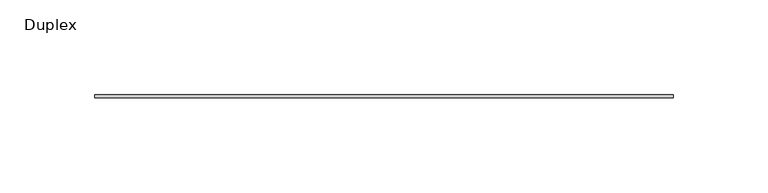
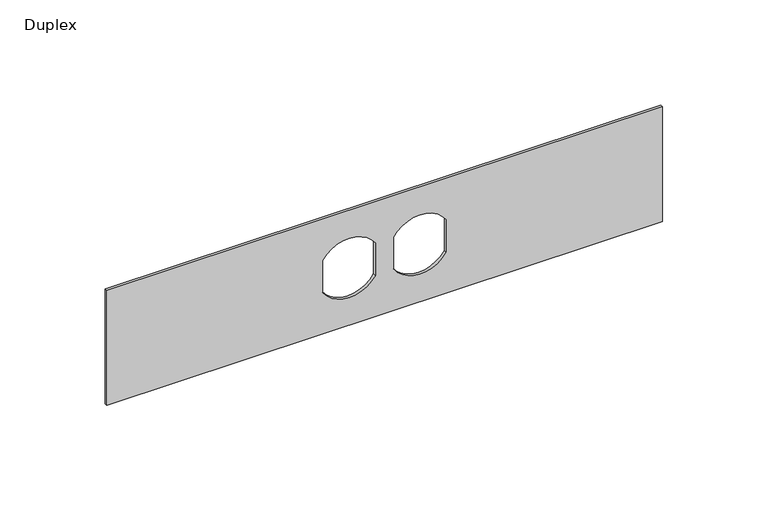
"""IFC4 building model written with IfcOpenShell, lengths in millimetres: furniture geometry, Duplex."""

from ifc_helpers import new_model, si_unit, point, frame, frame_2d, origin, place, context, project, spatial, polyline, circle_curve, trimmed, segment, composite_curve, outline, extrude, source, transform, mapped, element, save


def duplex_a3c08b2a(model_context):
    return source(origin(), model_context, "Body", "SweptSolid", [
        extrude(outline(polyline([(1193.8, 171.1377049), (1193.8, -133.6622951), (1127.125, -133.6622951), (1127.125, 171.1377049), (1193.8, 171.1377049)]), holes=[composite_curve([segment(polyline([(1169.7890625, 13.6775487), (1151.1634118, 13.6775487)]), True, "CONTINUOUS"), segment(trimmed(circle_curve(frame_2d((1160.4625, -0.7091701)), 17.1304033), [point((1151.1634118, 13.6775487))], [point((1151.0116767, -14.9966701))], True, "CARTESIAN"), True, "CONTINUOUS"), segment(polyline([(1151.0116767, -14.9966701), (1169.7890625, -14.9966701)]), True, "CONTINUOUS"), segment(trimmed(circle_curve(frame_2d((1160.4136685, -0.6595607)), 17.1304033), [point((1169.7890625, -14.9966701))], [point((1169.7890625, 13.6775487))], True, "CARTESIAN"), True, "CONTINUOUS")], self_intersect=False), composite_curve([segment(trimmed(circle_curve(frame_2d((1160.4625, 38.1845799)), 17.1304033), [point((1169.7615882, 23.7978612))], [point((1169.9133233, 52.4720799))], True, "CARTESIAN"), True, "CONTINUOUS"), segment(polyline([(1169.9133233, 52.4720799), (1151.0116767, 52.4720799)]), True, "CONTINUOUS"), segment(trimmed(circle_curve(frame_2d((1160.4625, 38.1845799)), 17.1304033), [point((1151.0116767, 52.4720799))], [point((1151.1634118, 23.7978612))], True, "CARTESIAN"), True, "CONTINUOUS"), segment(polyline([(1151.1634118, 23.7978612), (1169.7615882, 23.7978612)]), True, "CONTINUOUS")], self_intersect=False)]), frame((0.0, -1.5875, 0.0), z_axis=(0.0, 1.0, 0.0), x_axis=(0.0, 0.0, 1.0)), (0.0, 0.0, 1.0), 1.5875),
    ])


if __name__ == "__main__":
    model = new_model("IFC4")
    model_context = context("Model", 3, world=origin())
    ifc_project = project(units=[si_unit("LENGTHUNIT", "METRE", prefix="MILLI")], contexts=[model_context])
    site = spatial("IfcSite", under=ifc_project)
    building = spatial("IfcBuilding", under=site)
    placement = place(None, origin())
    duplex_shape = duplex_a3c08b2a(model_context)
    element("IfcFurniture", 1, ObjectType="Duplex", at=placement, inside=building, context=model_context, shape_type="MappedRepresentation", body=[
        mapped(duplex_shape, transform((0.0, 0.0, 0.0), x_axis=(1.0, 0.0, 0.0), y_axis=(0.0, 1.0, 0.0), z_axis=(0.0, 0.0, 1.0))),
    ])
    save(model, "model.ifc")
